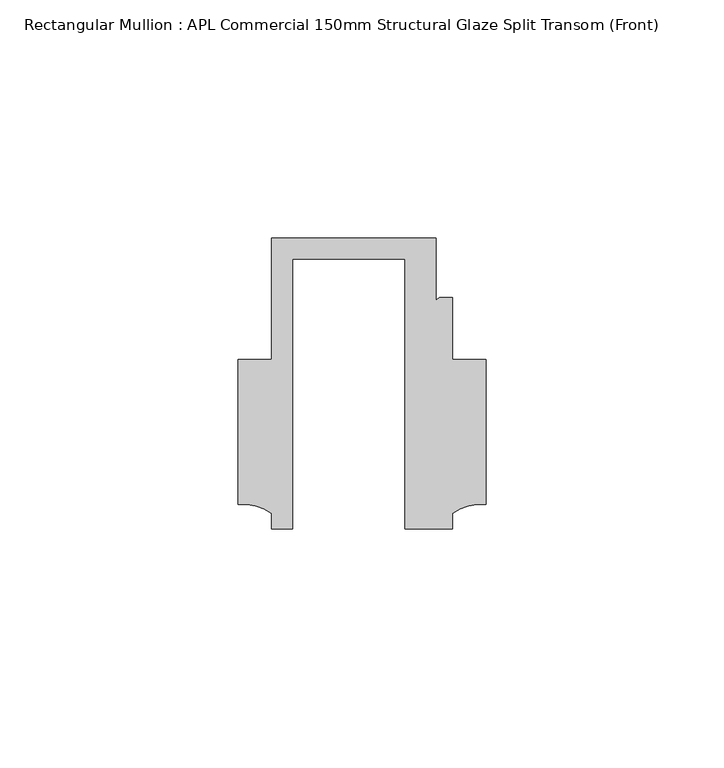
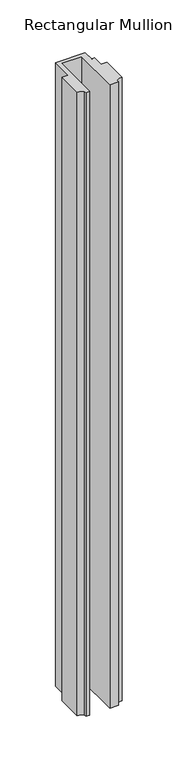
"""IFC4 building model written with IfcOpenShell, lengths in millimetres: member geometry, Rectangular Mullion : APL Commercial 150mm Structural Glaze Split Transom (Front)."""

from ifc_helpers import new_model, si_unit, point, frame, frame_2d, origin, place, context, project, spatial, polyline, circle_curve, trimmed, segment, composite_curve, outline, extrude, source, transform, mapped, element, save


def rectangular_mullion_apl_commercial_150mm_structural_glaze_fe81e44e(model_context):
    return source(origin(), model_context, "Body", "SweptSolid", [
        extrude(outline(composite_curve([segment(polyline([(-23.5949354, -20.5), (-28.0000482, -20.5), (-28.0000482, -17.3123419)]), True, "CONTINUOUS"), segment(trimmed(circle_curve(frame_2d((-34.10985, -25.7980019)), 10.4563907), [point((-28.0000482, -17.3123419))], [point((-34.9999873, -15.3795682))], True, "CARTESIAN"), True, "CONTINUOUS"), segment(polyline([(-34.9999873, -15.3795682), (-34.9999873, 15.001276), (-28.0000482, 15.001276), (-28.0000482, 40.499932), (6.5000029, 40.499932), (6.5000029, 27.0002131)]), True, "CONTINUOUS"), segment(trimmed(circle_curve(frame_2d((7.5000029, 27.0002131)), 1.0), [point((6.5000029, 27.0002131))], [point((7.5000029, 28.0002131))], False, "CARTESIAN"), True, "CONTINUOUS"), segment(polyline([(7.5000029, 28.0002131), (10.0000029, 28.0002131), (10.0000029, 15.0004617), (16.999942, 15.0004617), (16.999942, -15.3793686)]), True, "CONTINUOUS"), segment(trimmed(circle_curve(frame_2d((16.1098048, -25.7978024)), 10.4563907), [point((16.999942, -15.3793686))], [point((10.0000029, -17.3121423))], True, "CARTESIAN"), True, "CONTINUOUS"), segment(polyline([(10.0000029, -17.3121423), (10.0000029, -20.5), (0.0, -20.5), (0.0, 36.1008577), (-23.5949354, 36.1008577), (-23.5949354, -20.5)]), True, "CONTINUOUS")], self_intersect=False)), frame((0.0, 0.0, -766.1423739), z_axis=(0.0, 0.0, 1.0), x_axis=(1.0, 0.0, 0.0)), (0.0, 0.0, 1.0), 766.1423739),
    ])


if __name__ == "__main__":
    model = new_model("IFC4")
    model_context = context("Model", 3, world=origin())
    ifc_project = project(units=[si_unit("LENGTHUNIT", "METRE", prefix="MILLI")], contexts=[model_context])
    site = spatial("IfcSite", under=ifc_project)
    building = spatial("IfcBuilding", under=site)
    placement = place(None, origin())
    rectangular_mullion_apl_commercial_150mm_structural_glaze_shape = rectangular_mullion_apl_commercial_150mm_structural_glaze_fe81e44e(model_context)
    element("IfcMember", 1, ObjectType="Rectangular Mullion : APL Commercial 150mm Structural Glaze Split Transom (Front)", at=placement, inside=building, context=model_context, shape_type="MappedRepresentation", body=[
        mapped(rectangular_mullion_apl_commercial_150mm_structural_glaze_shape, transform((0.0, 0.0, 0.0), x_axis=(1.0, 0.0, 0.0), y_axis=(0.0, 1.0, 0.0), z_axis=(0.0, 0.0, 1.0))),
    ])
    save(model, "model.ifc")
